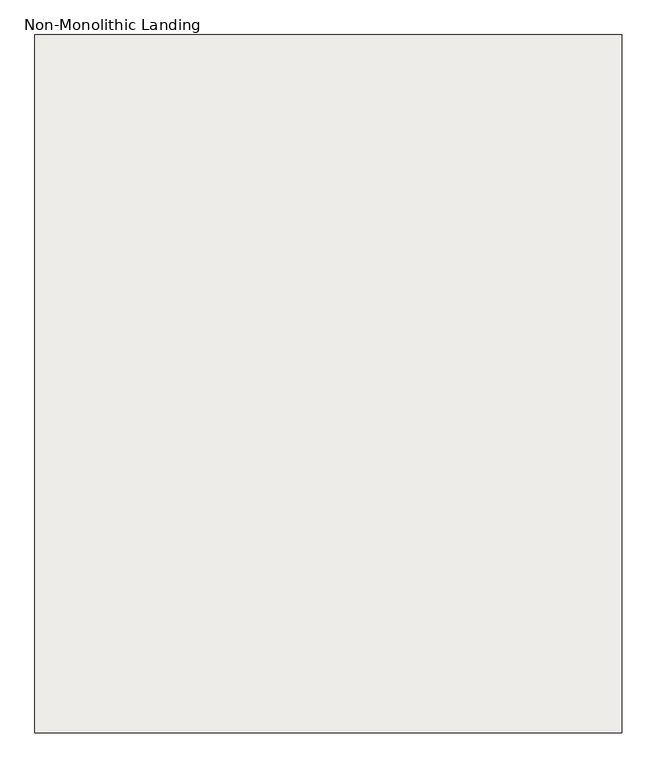
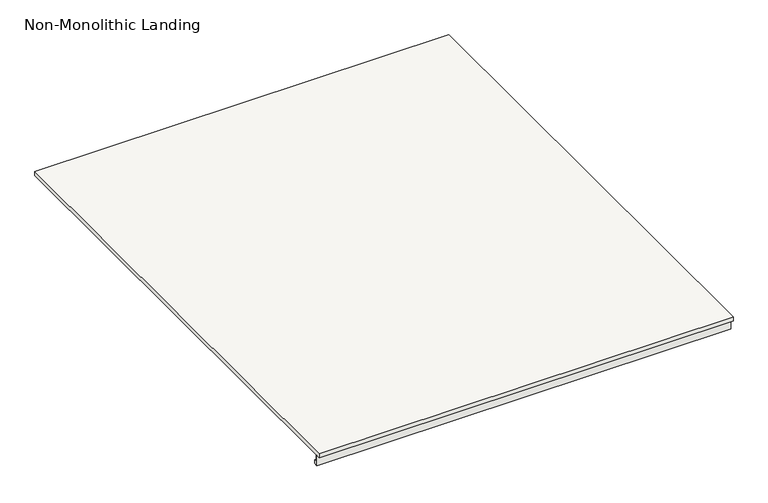
"""IFC4 building model written with IfcOpenShell, lengths in millimetres: slab geometry, Non-Monolithic Landing."""

from ifc_helpers import new_model, si_unit, frame, origin, place, context, project, spatial, polyline, outline, extrude, source, transform, mapped, element, save


def non_monolithic_landing_c42e361b(model_context):
    return source(origin(), model_context, "Body", "SweptSolid", [
        extrude(outline(polyline([(3425.7653131, 5638.0), (3425.7653131, 5628.0), (2249.0596675, 5628.0), (2249.0596675, 5611.3650264), (2254.9596352, 5611.3780294), (2254.9596352, 5602.1193807), (2245.7653131, 5602.1193807), (2245.7653131, 5628.0), (2235.7653131, 5628.0), (2235.7653131, 5638.0), (3425.7653131, 5638.0)])), frame((-7858.8300828, 0.0, 0.0), z_axis=(1.0, 0.0, 0.0), x_axis=(0.0, 1.0, 0.0)), (0.0, 0.0, 1.0), 1000.0),
    ])


if __name__ == "__main__":
    model = new_model("IFC4")
    model_context = context("Model", 3, world=origin())
    ifc_project = project(units=[si_unit("LENGTHUNIT", "METRE", prefix="MILLI")], contexts=[model_context])
    site = spatial("IfcSite", under=ifc_project)
    building = spatial("IfcBuilding", under=site)
    placement = place(None, origin())
    non_monolithic_landing_shape = non_monolithic_landing_c42e361b(model_context)
    element("IfcSlab", 1, ObjectType="Non-Monolithic Landing", at=placement, inside=building, context=model_context, shape_type="MappedRepresentation", body=[
        mapped(non_monolithic_landing_shape, transform((0.0, 0.0, 0.0), x_axis=(1.0, 0.0, 0.0), y_axis=(0.0, 1.0, 0.0), z_axis=(0.0, 0.0, 1.0))),
    ])
    save(model, "model.ifc")
